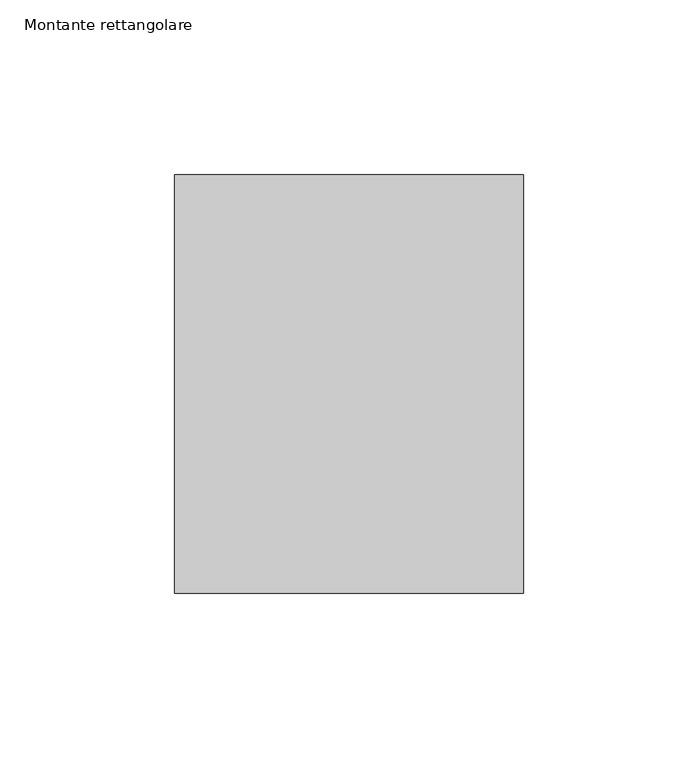
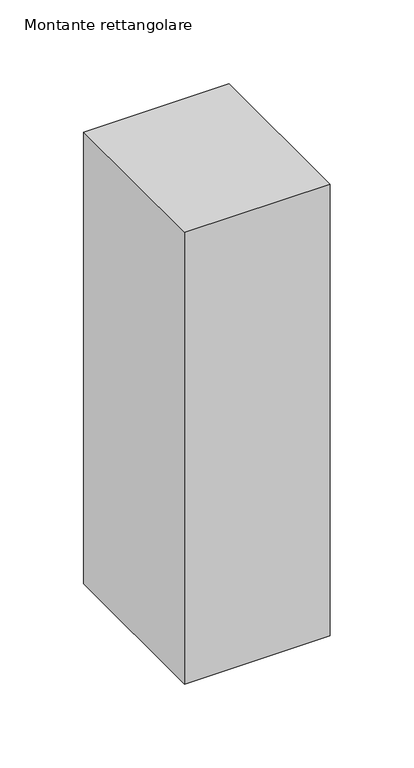
"""IFC4 building model written with IfcOpenShell, lengths in millimetres: member geometry, Montante rettangolare."""

from ifc_helpers import new_model, si_unit, frame, origin, place, context, project, spatial, polyline, outline, extrude, source, transform, mapped, element, save


def montante_rettangolare_2b557579(model_context):
    return source(origin(), model_context, "Body", "SweptSolid", [
        extrude(outline(polyline([(50.0, 60.0), (50.0, -60.0), (-50.0, -60.0), (-50.0, 60.0), (50.0, 60.0)])), frame((0.0, 0.0, -328.2381172), z_axis=(0.0, 0.0, 1.0), x_axis=(1.0, 0.0, 0.0)), (0.0, 0.0, 1.0), 328.2381172),
    ])


if __name__ == "__main__":
    model = new_model("IFC4")
    model_context = context("Model", 3, world=origin())
    ifc_project = project(units=[si_unit("LENGTHUNIT", "METRE", prefix="MILLI")], contexts=[model_context])
    site = spatial("IfcSite", under=ifc_project)
    building = spatial("IfcBuilding", under=site)
    placement = place(None, origin())
    montante_rettangolare_shape = montante_rettangolare_2b557579(model_context)
    element("IfcMember", 1, ObjectType="Montante rettangolare", at=placement, inside=building, context=model_context, shape_type="MappedRepresentation", body=[
        mapped(montante_rettangolare_shape, transform((0.0, 0.0, 0.0), x_axis=(1.0, 0.0, 0.0), y_axis=(0.0, 1.0, 0.0), z_axis=(0.0, 0.0, 1.0))),
    ])
    save(model, "model.ifc")
